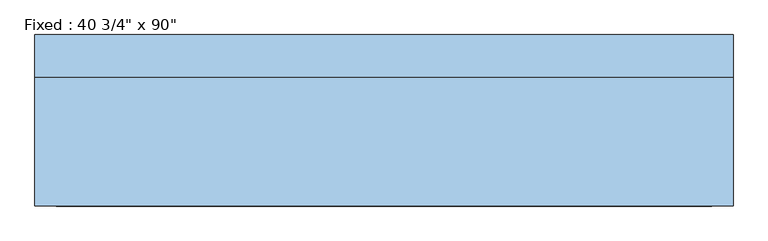
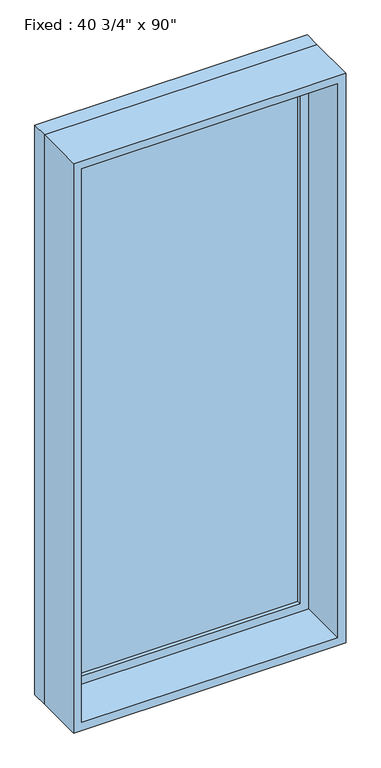
"""IFC4 building model written with IfcOpenShell, lengths in millimetres: window geometry."""

from ifc_helpers import new_model, si_unit, frame, origin, place, context, project, spatial, polyline, outline, extrude, source, transform, mapped, element, save


def window_0a5ab9a6(model_context):
    return source(origin(), model_context, "Body", "SweptSolid", [
        extrude(outline(polyline([(415.925, 79.375), (-492.125, 79.375), (-492.125, 92.075), (415.925, 92.075), (415.925, 79.375)])), frame((0.0, 0.0, 368.3), z_axis=(0.0, 0.0, 1.0), x_axis=(1.0, 0.0, 0.0)), (0.0, 0.0, 1.0), 2159.0),
        extrude(outline(polyline([(2571.75, -536.575), (323.85, -536.575), (323.85, 460.375), (2571.75, 460.375), (2571.75, -536.575)]), holes=[polyline([(2527.3, -492.125), (2527.3, 415.925), (368.3, 415.925), (368.3, -492.125), (2527.3, -492.125)])]), frame((0.0, 63.5, 0.0), z_axis=(0.0, 1.0, 0.0), x_axis=(0.0, 0.0, 1.0)), (0.0, 0.0, 1.0), 44.45),
        extrude(outline(polyline([(2590.8, -555.625), (304.8, -555.625), (304.8, 479.425), (2590.8, 479.425), (2590.8, -555.625)]), holes=[polyline([(2559.05, -523.875), (2559.05, 447.675), (336.55, 447.675), (336.55, -523.875), (2559.05, -523.875)])]), frame((0.0, -127.0, 0.0), z_axis=(0.0, 1.0, 0.0), x_axis=(0.0, 0.0, 1.0)), (0.0, 0.0, 1.0), 190.5),
        extrude(outline(polyline([(2590.8, 479.425), (2590.8, -555.625), (304.8, -555.625), (304.8, 479.425), (2590.8, 479.425)]), holes=[polyline([(2571.75, 460.375), (323.85, 460.375), (323.85, -536.575), (2571.75, -536.575), (2571.75, 460.375)])]), frame((0.0, 63.5, 0.0), z_axis=(0.0, 1.0, 0.0), x_axis=(0.0, 0.0, 1.0)), (0.0, 0.0, 1.0), 63.5),
    ])


if __name__ == "__main__":
    model = new_model("IFC4")
    model_context = context("Model", 3, world=origin())
    ifc_project = project(units=[si_unit("LENGTHUNIT", "METRE", prefix="MILLI")], contexts=[model_context])
    site = spatial("IfcSite", under=ifc_project)
    building = spatial("IfcBuilding", under=site)
    placement = place(None, origin())
    window_shape = window_0a5ab9a6(model_context)
    element("IfcWindow", 1, ObjectType="Fixed : 40 3/4\" x 90\"", at=placement, inside=building, context=model_context, shape_type="MappedRepresentation", body=[
        mapped(window_shape, transform((0.0, 0.0, 0.0), x_axis=(1.0, 0.0, 0.0), y_axis=(0.0, 1.0, 0.0), z_axis=(0.0, 0.0, 1.0))),
    ])
    save(model, "model.ifc")
